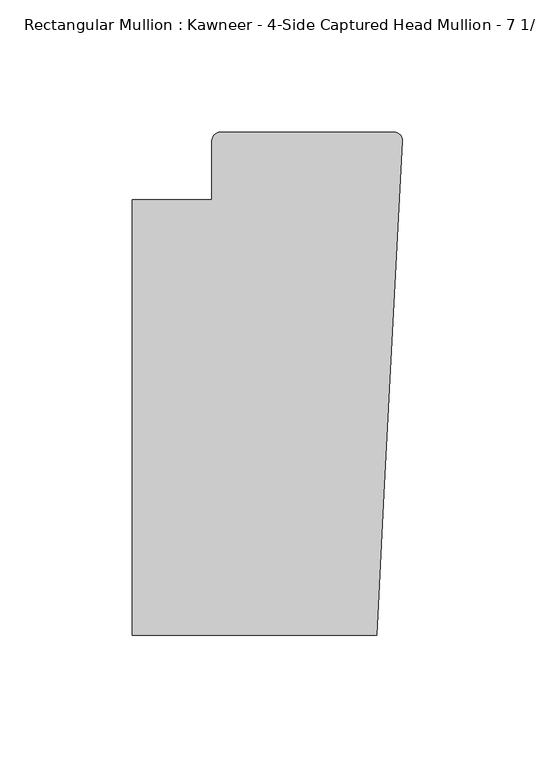
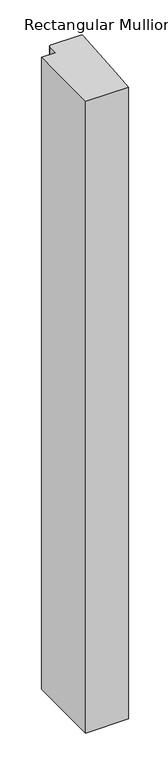
"""IFC4 building model written with IfcOpenShell, lengths in millimetres: member geometry."""

from ifc_helpers import new_model, si_unit, frame, origin, place, context, project, spatial, circle_curve, source, transform, mapped, element, save
from ifc_brep_helpers import plane_surface, cylinder_surface, advanced_brep


def member_a98e10a9(model_context):
    return source(origin(), model_context, "Body", "AdvancedBrep", [
        advanced_brep(
        [(-9.7860662, -151.892, 0.0), (-6.9873394, -98.4891117, 0.0), (-0.0041105, 34.7588278, 0.0), (-3.175, 38.0999944, 0.0), (-68.798975, 38.0999944, 0.0), (-71.9739395, 34.9099677, 0.0), (-71.9739395, 12.7, 0.0), (-102.08978, 12.7, 0.0), (-102.08978, -151.892, 0.0), (-9.7860662, -151.892, -1437.2055615), (-102.08978, -151.892, -1437.2055615), (-102.08978, 12.7, -1437.2055615), (-71.9739395, 12.7, -1437.2055615), (-71.9739395, 34.9099677, -1437.2055615), (-68.798975, 38.0999944, -1437.2055615), (-3.175, 38.0999944, -1437.2055615), (-0.006635, 34.7198406, -1437.2055615), (-6.9873394, -98.4891117, -1437.2055615)],
        [
            (0, 1),
            (1, 2),
            (2, 3, circle_curve(frame((-3.175, 34.9249944, 0.0), z_axis=(0.0, 0.0, 1.0), x_axis=(0.0, 1.0, 0.0)), 3.175)),
            (3, 4),
            (4, 5, circle_curve(frame((-68.798975, 34.9249944, 0.0), z_axis=(0.0, 0.0, 1.0), x_axis=(-0.9999888001458095, -0.004732819766726053, 0.0)), 3.175)),
            (5, 6),
            (6, 7),
            (7, 8),
            (8, 0),
            (9, 10),
            (10, 11),
            (11, 12),
            (12, 13),
            (13, 14, circle_curve(frame((-68.798975, 34.9249944, -1437.2055615), z_axis=(0.0, 0.0, -1.0), x_axis=(-0.9999888001458095, -0.004732819766726053, 0.0)), 3.175)),
            (14, 15),
            (15, 16, circle_curve(frame((-3.175, 34.9249944, -1437.2055615), z_axis=(0.0, 0.0, -1.0), x_axis=(0.0, 1.0, 0.0)), 3.175)),
            (16, 17),
            (17, 9),
            (0, 9),
            (17, 1),
            (16, 2),
            (15, 3),
            (14, 4),
            (13, 5),
            (12, 6),
            (11, 7),
            (10, 8),
        ],
        [
            plane_surface(frame((0.0, -183.0123025, 0.0), z_axis=(0.0, 0.0, 1.0), x_axis=(-1.0, 0.0, 0.0))),
            plane_surface(frame((0.0, -183.0123025, -1437.2055615), z_axis=(0.0, 0.0, -1.0), x_axis=(-1.0, 0.0, 0.0))),
            plane_surface(frame((-9.7860662, -151.892, 0.0), z_axis=(0.9986295347545738, -0.052335956242944896, 0.0), x_axis=(0.0, 0.0, -1.0))),
            plane_surface(frame((-6.9873394, -98.4891117, 0.0), z_axis=(0.9986295346400468, -0.05233595842825238, 0.0), x_axis=(0.0, 0.0, -1.0))),
            cylinder_surface(frame((-3.175, 34.9249944, 0.0), z_axis=(0.0, 0.0, 1.0), x_axis=(0.0, 1.0, 0.0)), 3.175),
            plane_surface(frame((-3.175, 38.0999944, 0.0), z_axis=(0.0, 1.0, 0.0), x_axis=(0.0, 0.0, -1.0))),
            cylinder_surface(frame((-68.798975, 34.9249944, 0.0), z_axis=(0.0, 0.0, 1.0), x_axis=(-0.9999888001458095, -0.004732819766726053, 0.0)), 3.175),
            plane_surface(frame((-71.9739395, 34.9099677, 0.0), z_axis=(-1.0, 0.0, 0.0), x_axis=(0.0, 0.0, -1.0))),
            plane_surface(frame((-71.9739395, 12.7, 0.0), z_axis=(0.0, 1.0, 0.0), x_axis=(0.0, 0.0, -1.0))),
            plane_surface(frame((-102.08978, 12.7, 0.0), z_axis=(-1.0, 0.0, 0.0), x_axis=(0.0, 0.0, -1.0))),
            plane_surface(frame((-102.08978, -151.892, 0.0), z_axis=(0.0, -1.0, 0.0), x_axis=(0.0, 0.0, -1.0))),
        ],
        [
            (0, [[1, 2, 3, 4, 5, 6, 7, 8, 9]]),
            (1, [[10, 11, 12, 13, 14, 15, 16, 17, 18]]),
            (2, [[-1, 19, -18, 20]]),
            (3, [[-2, -20, -17, 21]]),
            (4, [[-3, -21, -16, 22]]),
            (5, [[-4, -22, -15, 23]]),
            (6, [[-5, -23, -14, 24]]),
            (7, [[-6, -24, -13, 25]]),
            (8, [[-7, -25, -12, 26]]),
            (9, [[-8, -26, -11, 27]]),
            (10, [[-9, -27, -10, -19]]),
        ],
    ),
    ])


if __name__ == "__main__":
    model = new_model("IFC4")
    model_context = context("Model", 3, world=origin())
    ifc_project = project(units=[si_unit("LENGTHUNIT", "METRE", prefix="MILLI")], contexts=[model_context])
    site = spatial("IfcSite", under=ifc_project)
    building = spatial("IfcBuilding", under=site)
    placement = place(None, origin())
    member_shape = member_a98e10a9(model_context)
    element("IfcMember", 1, ObjectType="Rectangular Mullion : Kawneer - 4-Side Captured Head Mullion - 7 1/2\"", at=placement, inside=building, context=model_context, shape_type="MappedRepresentation", body=[
        mapped(member_shape, transform((0.0, 0.0, 0.0), x_axis=(1.0, 0.0, 0.0), y_axis=(0.0, 1.0, 0.0), z_axis=(0.0, 0.0, 1.0))),
    ])
    save(model, "model.ifc")
